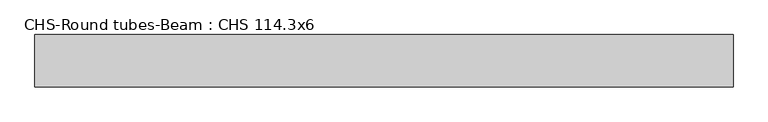
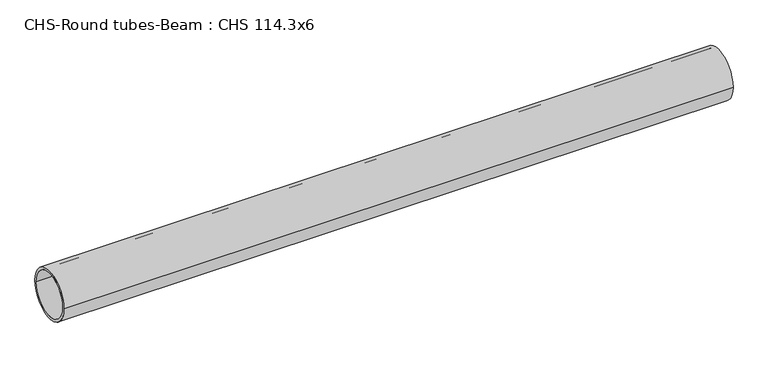
"""IFC4 building model written with IfcOpenShell, lengths in millimetres: beam geometry, CHS-Round tubes-Beam : CHS 114.3x6."""

from ifc_helpers import new_model, si_unit, point, frame, origin, origin_2d, place, context, project, spatial, circle_curve, trimmed, segment, composite_curve, outline, extrude, source, transform, mapped, element, save


def chs_round_tubes_beam_chs_114_3x6_2d5b6a73(model_context):
    return source(origin(), model_context, "Body", "SweptSolid", [
        extrude(outline(composite_curve([segment(trimmed(circle_curve(origin_2d(), 57.15), [point((57.15, 0.0))], [point((-57.15, 0.0))], False, "CARTESIAN"), True, "CONTINUOUS"), segment(trimmed(circle_curve(origin_2d(), 57.15), [point((-57.15, 0.0))], [point((57.15, 0.0))], False, "CARTESIAN"), True, "CONTINUOUS")], self_intersect=False), holes=[composite_curve([segment(trimmed(circle_curve(origin_2d(), 51.15), [point((51.15, 0.0))], [point((-51.15, 0.0))], True, "CARTESIAN"), True, "CONTINUOUS"), segment(trimmed(circle_curve(origin_2d(), 51.15), [point((-51.15, 0.0))], [point((51.15, 0.0))], True, "CARTESIAN"), True, "CONTINUOUS")], self_intersect=False)]), frame((-777.0238118, 0.0, 0.0), z_axis=(1.0, 0.0, 0.0), x_axis=(0.0, 1.0, 0.0)), (0.0, 0.0, 1.0), 1527.6739423),
    ])


if __name__ == "__main__":
    model = new_model("IFC4")
    model_context = context("Model", 3, world=origin())
    ifc_project = project(units=[si_unit("LENGTHUNIT", "METRE", prefix="MILLI")], contexts=[model_context])
    site = spatial("IfcSite", under=ifc_project)
    building = spatial("IfcBuilding", under=site)
    placement = place(None, origin())
    chs_round_tubes_beam_chs_114_3x6_shape = chs_round_tubes_beam_chs_114_3x6_2d5b6a73(model_context)
    element("IfcBeam", 1, ObjectType="CHS-Round tubes-Beam : CHS 114.3x6", at=placement, inside=building, context=model_context, shape_type="MappedRepresentation", body=[
        mapped(chs_round_tubes_beam_chs_114_3x6_shape, transform((0.0, 0.0, 0.0), x_axis=(1.0, 0.0, 0.0), y_axis=(0.0, 1.0, 0.0), z_axis=(0.0, 0.0, 1.0))),
    ])
    save(model, "model.ifc")
